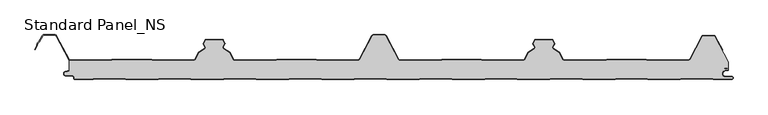
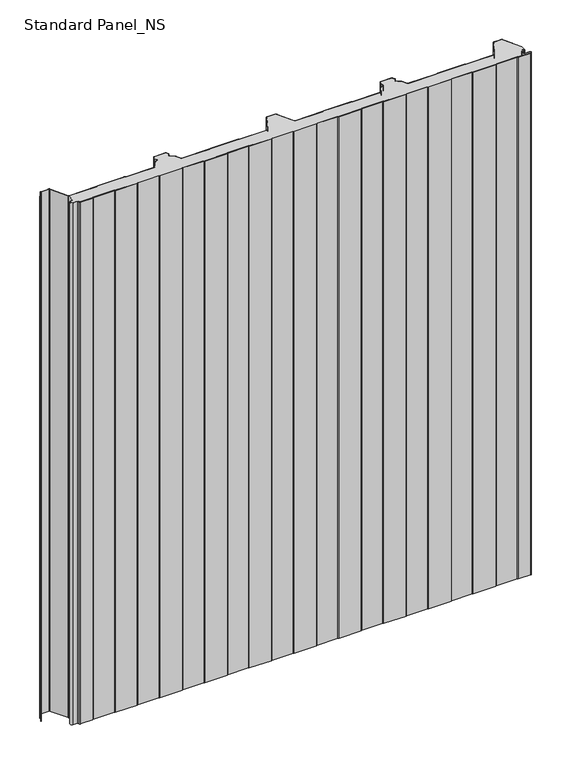
"""IFC4 building model written with IfcOpenShell, lengths in millimetres: proxy geometry, Standard Panel_NS."""

from ifc_helpers import new_model, si_unit, point, frame_2d, origin, origin_with_axes, place, context, project, spatial, polyline, circle_curve, trimmed, segment, composite_curve, outline, extrude, source, transform, mapped, element, save


def standard_panel_ns_30e33ac1(model_context):
    return source(origin(), model_context, "Body", "SweptSolid", [
        extrude(outline(composite_curve([segment(polyline([(-467.4564897, 29.2), (-406.1619183, 29.2), (-403.7802849, 30.1683897), (-343.9889442, 30.1683897), (-341.6073108, 29.2), (-279.468044, 29.2)]), True, "CONTINUOUS"), segment(trimmed(circle_curve(frame_2d((-279.4708299, 30.9999978)), 1.8), [point((-279.468044, 29.2))], [point((-277.8815327, 30.1549332))], True, "CARTESIAN"), True, "CONTINUOUS"), segment(polyline([(-277.8815327, 30.1549332), (-271.7571118, 41.6730163), (-262.7737199, 47.3606338)]), True, "CONTINUOUS"), segment(trimmed(circle_curve(frame_2d((-263.7365884, 48.8814507)), 1.8), [point((-262.7737199, 47.3606338))], [point((-262.1275659, 49.6883253))], True, "CARTESIAN"), True, "CONTINUOUS"), segment(polyline([(-262.1275659, 49.6883253), (-264.7246358, 54.8672514), (-261.74715, 60.4669529), (-236.2531818, 60.4669529), (-233.2700817, 54.8564238), (-235.8618916, 49.6882431)]), True, "CONTINUOUS"), segment(trimmed(circle_curve(frame_2d((-234.2528851, 48.8813366)), 1.8), [point((-235.8618916, 49.6882431))], [point((-235.2157839, 47.3605387))], True, "CARTESIAN"), True, "CONTINUOUS"), segment(polyline([(-235.2157839, 47.3605387), (-226.2491619, 41.6832892), (-220.1195157, 30.1548264)]), True, "CONTINUOUS"), segment(trimmed(circle_curve(frame_2d((-218.5304355, 30.9997352)), 1.7997352), [point((-220.1195157, 30.1548264))], [point((-218.5304355, 29.2))], True, "CARTESIAN"), True, "CONTINUOUS"), segment(polyline([(-218.5304355, 29.2), (-156.392871, 29.2), (-154.0112306, 30.1683897), (-94.2198897, 30.1683897), (-91.8382499, 29.2), (-30.5436784, 29.2)]), True, "CONTINUOUS"), segment(trimmed(circle_curve(frame_2d((-30.5436784, 31.75)), 2.55), [point((-30.5436784, 29.2))], [point((-28.292162, 30.5528475))], True, "CARTESIAN"), True, "CONTINUOUS"), segment(polyline([(-28.292162, 30.5528475), (-9.1889275, 66.4808064)]), True, "CONTINUOUS"), segment(trimmed(circle_curve(frame_2d((-7.3788849, 65.5183897)), 2.05), [point((-9.1889275, 66.4808064))], [point((-7.3788849, 67.5683897))], False, "CARTESIAN"), True, "CONTINUOUS"), segment(polyline([(-7.3788849, 67.5683897), (9.3787035, 67.5683897)]), True, "CONTINUOUS"), segment(trimmed(circle_curve(frame_2d((9.3787035, 65.5183897)), 2.05), [point((9.3787035, 67.5683897))], [point((11.188746, 66.4808064))], False, "CARTESIAN"), True, "CONTINUOUS"), segment(polyline([(11.188746, 66.4808064), (30.2919806, 30.5528475)]), True, "CONTINUOUS"), segment(trimmed(circle_curve(frame_2d((32.543497, 31.75)), 2.55), [point((30.2919806, 30.5528475))], [point((32.543497, 29.2))], True, "CARTESIAN"), True, "CONTINUOUS"), segment(polyline([(32.543497, 29.2), (94.3380684, 29.2), (96.7197082, 30.1683897), (156.5110491, 30.1683897), (158.8926889, 29.2), (220.3454724, 29.2)]), True, "CONTINUOUS"), segment(trimmed(circle_curve(frame_2d((220.5302541, 30.9904904)), 1.8), [point((220.3454724, 29.2))], [point((222.1195681, 30.1454573))], True, "CARTESIAN"), True, "CONTINUOUS"), segment(polyline([(222.1195681, 30.1454573), (228.2489804, 41.6734802), (237.2156025, 47.3507298)]), True, "CONTINUOUS"), segment(trimmed(circle_curve(frame_2d((236.2527038, 48.8715276)), 1.8), [point((237.2156025, 47.3507298))], [point((237.8617103, 49.6784342))], True, "CARTESIAN"), True, "CONTINUOUS"), segment(polyline([(237.8617103, 49.6784342), (235.2699012, 54.8466132), (238.2529825, 60.4573069), (263.7468294, 60.4573069), (266.7244548, 54.8574433), (264.1273846, 49.6785164)]), True, "CONTINUOUS"), segment(trimmed(circle_curve(frame_2d((265.7364071, 48.8716418)), 1.8), [point((264.1273846, 49.6785164))], [point((264.7735386, 47.3508249))], True, "CARTESIAN"), True, "CONTINUOUS"), segment(polyline([(264.7735386, 47.3508249), (273.7569305, 41.6632074), (279.8813514, 30.1451242)]), True, "CONTINUOUS"), segment(trimmed(circle_curve(frame_2d((281.4706486, 30.9901889)), 1.8), [point((279.8813514, 30.1451242))], [point((281.6583282, 29.2))], True, "CARTESIAN"), True, "CONTINUOUS"), segment(polyline([(281.6583282, 29.2), (343.5388467, 29.2), (346.5543556, 30.1683897), (406.3541332, 30.1683897), (409.30759, 29.2), (470.7064911, 29.2)]), True, "CONTINUOUS"), segment(trimmed(circle_curve(frame_2d((470.7064911, 31.7198823)), 2.5198823), [point((470.7064911, 29.2))], [point((472.9163892, 30.5090325))], True, "CARTESIAN"), True, "CONTINUOUS"), segment(polyline([(472.9163892, 30.5090325), (491.4348615, 65.4813607)]), True, "CONTINUOUS"), segment(trimmed(circle_curve(frame_2d((493.2446093, 64.5183897)), 2.05), [point((491.4348615, 65.4813607))], [point((493.2446093, 66.5683897))], False, "CARTESIAN"), True, "CONTINUOUS"), segment(polyline([(493.2446093, 66.5683897), (508.7552093, 66.5683897)]), True, "CONTINUOUS"), segment(trimmed(circle_curve(frame_2d((508.7552093, 64.5183897)), 2.05), [point((508.7552093, 66.5683897))], [point((510.5652518, 65.4808064))], False, "CARTESIAN"), True, "CONTINUOUS"), segment(polyline([(510.5652518, 65.4808064), (531.1556154, 26.7559646), (531.1556156, 15.3551162)]), True, "CONTINUOUS"), segment(trimmed(circle_curve(frame_2d((529.5058468, 15.3274964)), 1.65), [point((531.1556156, 15.3551162))], [point((529.7378129, 16.9611095))], True, "CARTESIAN"), True, "CONTINUOUS"), segment(polyline([(529.7378129, 16.9611095), (524.8136969, 17.660313), (524.7012285, 16.8682582), (529.6253445, 16.1690547)]), True, "CONTINUOUS"), segment(trimmed(circle_curve(frame_2d((529.5058468, 15.3274964)), 0.85), [point((529.6253445, 16.1690547))], [point((529.6534477, 14.4904098))], False, "CARTESIAN"), True, "CONTINUOUS"), segment(polyline([(529.6534477, 14.4904098), (525.3286815, 13.7278368)]), True, "CONTINUOUS"), segment(trimmed(circle_curve(frame_2d((526.1535103, 9.05)), 4.75), [point((525.3286815, 13.7278368))], [point((526.1535103, 4.3))], True, "CARTESIAN"), True, "CONTINUOUS"), segment(polyline([(526.1535103, 4.3), (535.6535103, 4.3)]), True, "CONTINUOUS"), segment(trimmed(circle_curve(frame_2d((535.6535103, 2.55)), 1.75), [point((535.6535103, 4.3))], [point((535.6535103, 0.8))], False, "CARTESIAN"), True, "CONTINUOUS"), segment(polyline([(535.6535103, 0.8), (508.0955244, 0.8), (506.3634736, 1.8), (459.8988565, 1.8), (458.1668057, 0.8), (409.0955244, 0.8), (407.3634736, 1.8), (360.8988565, 1.8), (359.1668057, 0.8), (310.0955244, 0.8), (308.3634736, 1.8), (261.8988565, 1.8), (260.1668057, 0.8), (211.097319, 0.8), (209.3228176, 1.8), (162.8988565, 1.8), (161.1668057, 0.8), (112.0955244, 0.8), (110.3634736, 1.8), (63.8988565, 1.8), (62.1668057, 0.8), (13.0955244, 0.8), (11.3634736, 1.8), (-35.1011435, 1.8), (-36.8331943, 0.8), (-85.902681, 0.8), (-87.6771824, 1.8), (-134.1011435, 1.8), (-135.8331943, 0.8), (-184.902681, 0.8), (-186.6771824, 1.8), (-233.1011435, 1.8), (-234.8331943, 0.8), (-283.9044756, 0.8), (-285.6365264, 1.8), (-332.1011435, 1.8), (-333.8331943, 0.786297), (-382.902681, 0.786297), (-384.6771824, 1.786297), (-431.1011435, 1.786297), (-432.8331943, 0.786297), (-459.8464897, 0.786297)]), True, "CONTINUOUS"), segment(trimmed(circle_curve(frame_2d((-459.8464897, 2.036297)), 1.25), [point((-459.8464897, 0.786297))], [point((-461.0964897, 2.036297))], False, "CARTESIAN"), True, "CONTINUOUS"), segment(polyline([(-461.0964897, 2.036297), (-461.0964897, 3.436297)]), True, "CONTINUOUS"), segment(trimmed(circle_curve(frame_2d((-463.8464897, 3.436297)), 2.75), [point((-461.0964897, 3.436297))], [point((-463.8464897, 6.186297))], True, "CARTESIAN"), True, "CONTINUOUS"), segment(polyline([(-463.8464897, 6.186297), (-473.6464897, 6.186297)]), True, "CONTINUOUS"), segment(trimmed(circle_curve(frame_2d((-473.6464897, 9.036297)), 2.85), [point((-473.6464897, 6.186297))], [point((-474.2876002, 11.8132517))], False, "CARTESIAN"), True, "CONTINUOUS"), segment(polyline([(-474.2876002, 11.8132517), (-468.8443846, 13.0699171), (-468.8443846, 29.6107833)]), True, "CONTINUOUS"), segment(trimmed(circle_curve(frame_2d((-467.4564897, 31.75)), 2.55), [point((-468.8443846, 29.6107833))], [point((-467.4564897, 29.2))], True, "CARTESIAN"), True, "CONTINUOUS")], self_intersect=False)), origin_with_axes(), (0.0, 0.0, 1.0), 1219.2),
        extrude(outline(composite_curve([segment(polyline([(535.6535103, 0.0), (507.881165, 0.0), (506.1491142, 1.0), (460.1132158, 1.0), (458.381165, 0.0), (408.881165, 0.0), (407.1491142, 1.0), (361.1132158, 1.0), (359.381165, 0.0), (309.881165, 0.0), (308.1491142, 1.0), (262.1132158, 1.0), (260.381165, 0.0), (210.8874211, 0.0), (209.1129196, 1.0), (163.1132158, 1.0), (161.381165, 0.0), (111.881165, 0.0), (110.1491142, 1.0), (64.1132158, 1.0), (62.381165, 0.0), (12.881165, 0.0), (11.1491142, 1.0), (-34.8867842, 1.0), (-36.618835, 0.0), (-86.1125789, 0.0), (-87.8870804, 1.0), (-133.8867842, 1.0), (-135.618835, 0.0), (-185.1125789, 0.0), (-186.8870804, 1.0), (-232.8867842, 1.0), (-234.618835, 0.0), (-284.118835, 0.0), (-285.8508858, 1.0), (-331.8867842, 1.0), (-333.618835, -0.013703), (-383.1125789, -0.013703), (-384.8870804, 0.986297), (-430.8867842, 0.986297), (-432.618835, -0.013703), (-459.8464897, -0.013703)]), True, "CONTINUOUS"), segment(trimmed(circle_curve(frame_2d((-459.8464897, 2.036297)), 2.05), [point((-459.8464897, -0.013703))], [point((-461.8964897, 2.036297))], False, "CARTESIAN"), True, "CONTINUOUS"), segment(polyline([(-461.8964897, 2.036297), (-461.8964897, 3.436297)]), True, "CONTINUOUS"), segment(trimmed(circle_curve(frame_2d((-463.8464897, 3.436297)), 1.95), [point((-461.8964897, 3.436297))], [point((-463.8464897, 5.386297))], True, "CARTESIAN"), True, "CONTINUOUS"), segment(polyline([(-463.8464897, 5.386297), (-473.6464897, 5.386297)]), True, "CONTINUOUS"), segment(trimmed(circle_curve(frame_2d((-473.6464897, 9.036297)), 3.65), [point((-473.6464897, 5.386297))], [point((-474.4675611, 12.5927478))], False, "CARTESIAN"), True, "CONTINUOUS"), segment(polyline([(-474.4675611, 12.5927478), (-469.0243454, 13.8494131), (-468.8443846, 13.0699171), (-474.2876002, 11.8132517)]), True, "CONTINUOUS"), segment(trimmed(circle_curve(frame_2d((-473.6464897, 9.036297)), 2.85), [point((-474.2876002, 11.8132517))], [point((-473.6464897, 6.186297))], True, "CARTESIAN"), True, "CONTINUOUS"), segment(polyline([(-473.6464897, 6.186297), (-463.8464897, 6.186297)]), True, "CONTINUOUS"), segment(trimmed(circle_curve(frame_2d((-463.8464897, 3.436297)), 2.75), [point((-463.8464897, 6.186297))], [point((-461.0964897, 3.436297))], False, "CARTESIAN"), True, "CONTINUOUS"), segment(polyline([(-461.0964897, 3.436297), (-461.0964897, 2.036297)]), True, "CONTINUOUS"), segment(trimmed(circle_curve(frame_2d((-459.8464897, 2.036297)), 1.25), [point((-461.0964897, 2.036297))], [point((-459.8464897, 0.786297))], True, "CARTESIAN"), True, "CONTINUOUS"), segment(polyline([(-459.8464897, 0.786297), (-432.8331943, 0.786297), (-431.1011435, 1.786297), (-384.6771824, 1.786297), (-382.902681, 0.786297), (-333.8331943, 0.786297), (-332.1011435, 1.8), (-285.6365264, 1.8), (-283.9044756, 0.8), (-234.8331943, 0.8), (-233.1011435, 1.8), (-186.6771824, 1.8), (-184.902681, 0.8), (-135.8331943, 0.8), (-134.1011435, 1.8), (-87.6771824, 1.8), (-85.902681, 0.8), (-36.8331943, 0.8), (-35.1011435, 1.8), (11.3634736, 1.8), (13.0955244, 0.8), (62.1668057, 0.8), (63.8988565, 1.8), (110.3634736, 1.8), (112.0955244, 0.8), (161.1668057, 0.8), (162.8988565, 1.8), (209.3228176, 1.8), (211.097319, 0.8), (260.1668057, 0.8), (261.8988565, 1.8), (308.3634736, 1.8), (310.0955244, 0.8), (359.1668057, 0.8), (360.8988565, 1.8), (407.3634736, 1.8), (409.0955244, 0.8), (458.1668057, 0.8), (459.8988565, 1.8), (506.3634736, 1.8), (508.0955244, 0.8), (535.6535103, 0.8)]), True, "CONTINUOUS"), segment(trimmed(circle_curve(frame_2d((535.6535103, 2.55)), 1.75), [point((535.6535103, 0.8))], [point((535.6535103, 4.3))], True, "CARTESIAN"), True, "CONTINUOUS"), segment(polyline([(535.6535103, 4.3), (526.1535103, 4.3)]), True, "CONTINUOUS"), segment(trimmed(circle_curve(frame_2d((526.1535103, 9.05)), 4.75), [point((526.1535103, 4.3))], [point((525.3286815, 13.7278368))], False, "CARTESIAN"), True, "CONTINUOUS"), segment(polyline([(525.3286815, 13.7278368), (529.6534477, 14.4904098)]), True, "CONTINUOUS"), segment(trimmed(circle_curve(frame_2d((529.5058468, 15.3274964)), 0.85), [point((529.6534477, 14.4904098))], [point((529.6253445, 16.1690547))], True, "CARTESIAN"), True, "CONTINUOUS"), segment(polyline([(529.6253445, 16.1690547), (524.7012285, 16.8682582), (524.8136969, 17.660313), (529.7378129, 16.9611095)]), True, "CONTINUOUS"), segment(trimmed(circle_curve(frame_2d((529.5058468, 15.3274964)), 1.65), [point((529.7378129, 16.9611095))], [point((529.7923663, 13.7025636))], False, "CARTESIAN"), True, "CONTINUOUS"), segment(polyline([(529.7923663, 13.7025636), (525.4676, 12.9399906)]), True, "CONTINUOUS"), segment(trimmed(circle_curve(frame_2d((526.1535103, 9.05)), 3.95), [point((525.4676, 12.9399906))], [point((526.1535103, 5.1))], True, "CARTESIAN"), True, "CONTINUOUS"), segment(polyline([(526.1535103, 5.1), (535.6535103, 5.1)]), True, "CONTINUOUS"), segment(trimmed(circle_curve(frame_2d((535.6535103, 2.55)), 2.55), [point((535.6535103, 5.1))], [point((535.6535103, 0.0))], False, "CARTESIAN"), True, "CONTINUOUS")], self_intersect=False)), origin_with_axes(), (0.0, 0.0, 1.0), 1219.2),
        extrude(outline(composite_curve([segment(polyline([(-467.4564897, 30.0), (-406.318343, 30.0), (-403.9367096, 30.9683897), (-343.8325195, 30.9683897), (-341.4508861, 30.0), (-279.4687534, 30.0)]), True, "CONTINUOUS"), segment(trimmed(circle_curve(frame_2d((-279.4708299, 30.9999978)), 1.0), [point((-279.4687534, 30.0))], [point((-278.587887, 30.5305175))], True, "CARTESIAN"), True, "CONTINUOUS"), segment(polyline([(-278.587887, 30.5305175), (-272.3640204, 42.2356263), (-263.2016615, 48.0365524)]), True, "CONTINUOUS"), segment(trimmed(circle_curve(frame_2d((-263.7365884, 48.8814507)), 1.0), [point((-263.2016615, 48.0365524))], [point((-262.842687, 49.3297144))], True, "CARTESIAN"), True, "CONTINUOUS"), segment(polyline([(-262.842687, 49.3297144), (-265.393451, 54.4163001)]), True, "CONTINUOUS"), segment(trimmed(circle_curve(frame_2d((-264.4995496, 54.8645637)), 1.0), [point((-265.393451, 54.4163001))], [point((-265.3824926, 55.3340441))], False, "CARTESIAN"), True, "CONTINUOUS"), segment(polyline([(-265.3824926, 55.3340441), (-262.6508365, 60.4714183)]), True, "CONTINUOUS"), segment(trimmed(circle_curve(frame_2d((-261.3264221, 59.7671978)), 1.5), [point((-262.6508365, 60.4714183))], [point((-261.2993182, 61.2669529))], False, "CARTESIAN"), True, "CONTINUOUS"), segment(polyline([(-261.2993182, 61.2669529), (-236.6737889, 61.2669529)]), True, "CONTINUOUS"), segment(trimmed(circle_curve(frame_2d((-236.6737889, 59.7669529)), 1.5), [point((-236.6737889, 61.2669529))], [point((-235.3493606, 60.4711471))], False, "CARTESIAN"), True, "CONTINUOUS"), segment(polyline([(-235.3493606, 60.4711471), (-232.6122157, 55.3232034)]), True, "CONTINUOUS"), segment(trimmed(circle_curve(frame_2d((-233.4951679, 54.8537406)), 1.0), [point((-232.6122157, 55.3232034))], [point((-232.6012754, 54.4054592))], False, "CARTESIAN"), True, "CONTINUOUS"), segment(polyline([(-232.6012754, 54.4054592), (-235.1467776, 49.329618)]), True, "CONTINUOUS"), segment(trimmed(circle_curve(frame_2d((-234.2528851, 48.8813366)), 1.0), [point((-235.1467776, 49.329618))], [point((-234.7878289, 48.0364489))], True, "CARTESIAN"), True, "CONTINUOUS"), segment(polyline([(-234.7878289, 48.0364489), (-225.6422421, 42.2458871), (-219.413154, 30.5303966)]), True, "CONTINUOUS"), segment(trimmed(circle_curve(frame_2d((-218.5304355, 30.9997352)), 0.9997353), [point((-219.413154, 30.5303966))], [point((-218.5304355, 29.9999999))], True, "CARTESIAN"), True, "CONTINUOUS"), segment(polyline([(-218.5304355, 29.9999999), (-156.5492953, 29.9999999), (-154.1676549, 30.9683897), (-94.0634654, 30.9683897), (-91.6818255, 30.0), (-30.5436784, 30.0)]), True, "CONTINUOUS"), segment(trimmed(circle_curve(frame_2d((-30.5436784, 31.75)), 1.75), [point((-30.5436784, 30.0))], [point((-28.9985201, 30.9284248))], True, "CARTESIAN"), True, "CONTINUOUS"), segment(polyline([(-28.9985201, 30.9284248), (-9.8952855, 66.8563836)]), True, "CONTINUOUS"), segment(trimmed(circle_curve(frame_2d((-7.3788849, 65.5183897)), 2.85), [point((-9.8952855, 66.8563836))], [point((-7.3788849, 68.3683897))], False, "CARTESIAN"), True, "CONTINUOUS"), segment(polyline([(-7.3788849, 68.3683897), (9.3787035, 68.3683897)]), True, "CONTINUOUS"), segment(trimmed(circle_curve(frame_2d((9.3787035, 65.5183897)), 2.85), [point((9.3787035, 68.3683897))], [point((11.8951041, 66.8563836))], False, "CARTESIAN"), True, "CONTINUOUS"), segment(polyline([(11.8951041, 66.8563836), (30.9983387, 30.9284248)]), True, "CONTINUOUS"), segment(trimmed(circle_curve(frame_2d((32.543497, 31.75)), 1.75), [point((30.9983387, 30.9284248))], [point((32.543497, 30.0))], True, "CARTESIAN"), True, "CONTINUOUS"), segment(polyline([(32.543497, 30.0), (93.6816441, 30.0), (96.0632839, 30.9683897), (156.1674734, 30.9683897), (158.5491133, 30.0), (220.3926719, 30.0)]), True, "CONTINUOUS"), segment(trimmed(circle_curve(frame_2d((220.5302541, 30.9904904)), 1.0), [point((220.3926719, 30.0))], [point((221.4132063, 30.5210275))], True, "CARTESIAN"), True, "CONTINUOUS"), segment(polyline([(221.4132063, 30.5210275), (227.6420606, 42.2360781), (236.7876475, 48.0266399)]), True, "CONTINUOUS"), segment(trimmed(circle_curve(frame_2d((236.2527038, 48.8715276)), 1.0), [point((236.7876475, 48.0266399))], [point((237.1465963, 49.319809))], True, "CARTESIAN"), True, "CONTINUOUS"), segment(polyline([(237.1465963, 49.319809), (234.6010941, 54.3956503)]), True, "CONTINUOUS"), segment(trimmed(circle_curve(frame_2d((235.4949866, 54.8439317)), 1.0), [point((234.6010941, 54.3956503))], [point((234.6120274, 55.3133815))], False, "CARTESIAN"), True, "CONTINUOUS"), segment(polyline([(234.6120274, 55.3133815), (237.3491357, 60.4614397)]), True, "CONTINUOUS"), segment(trimmed(circle_curve(frame_2d((238.673644, 59.7572281)), 1.5000788), [point((237.3491357, 60.4614397))], [point((238.673644, 61.2573069))], False, "CARTESIAN"), True, "CONTINUOUS"), segment(polyline([(238.673644, 61.2573069), (263.3262591, 61.2573069)]), True, "CONTINUOUS"), segment(trimmed(circle_curve(frame_2d((263.3262591, 59.7573465)), 1.4999604), [point((263.3262591, 61.2573069))], [point((264.6506332, 60.4615583))], False, "CARTESIAN"), True, "CONTINUOUS"), segment(polyline([(264.6506332, 60.4615583), (267.3823077, 55.3242418)]), True, "CONTINUOUS"), segment(trimmed(circle_curve(frame_2d((266.4993683, 54.8547548)), 1.0), [point((267.3823077, 55.3242418))], [point((267.3932697, 54.4064911))], False, "CARTESIAN"), True, "CONTINUOUS"), segment(polyline([(267.3932697, 54.4064911), (264.8425057, 49.3199055)]), True, "CONTINUOUS"), segment(trimmed(circle_curve(frame_2d((265.7364071, 48.8716418)), 1.0), [point((264.8425057, 49.3199055))], [point((265.2014801, 48.0267435))], True, "CARTESIAN"), True, "CONTINUOUS"), segment(polyline([(265.2014801, 48.0267435), (274.3638391, 42.2258174), (280.5877057, 30.5207085)]), True, "CONTINUOUS"), segment(trimmed(circle_curve(frame_2d((281.4706486, 30.9901889)), 1.0), [point((280.5877057, 30.5207085))], [point((281.6103837, 30.0))], True, "CARTESIAN"), True, "CONTINUOUS"), segment(polyline([(281.6103837, 30.0), (343.3151107, 30.0), (346.3306196, 30.9683897), (406.4819392, 30.9683897), (409.435396, 30.0), (470.7064911, 30.0)]), True, "CONTINUOUS"), segment(trimmed(circle_curve(frame_2d((470.7064911, 31.7198823)), 1.7198823), [point((470.7064911, 30.0))], [point((472.2123141, 30.8889236))], True, "CARTESIAN"), True, "CONTINUOUS"), segment(polyline([(472.2123141, 30.8889236), (490.7282086, 65.8563836)]), True, "CONTINUOUS"), segment(trimmed(circle_curve(frame_2d((493.2446093, 64.5183897)), 2.85), [point((490.7282086, 65.8563836))], [point((493.2446093, 67.3683897))], False, "CARTESIAN"), True, "CONTINUOUS"), segment(polyline([(493.2446093, 67.3683897), (508.7552093, 67.3683897)]), True, "CONTINUOUS"), segment(trimmed(circle_curve(frame_2d((508.7552093, 64.5183897)), 2.85), [point((508.7552093, 67.3683897))], [point((511.2716099, 65.8563836))], False, "CARTESIAN"), True, "CONTINUOUS"), segment(polyline([(511.2716099, 65.8563836), (522.2394046, 45.2289619), (521.5330465, 44.8533847), (510.5652518, 65.4808064)]), True, "CONTINUOUS"), segment(trimmed(circle_curve(frame_2d((508.7552093, 64.5183897)), 2.05), [point((510.5652518, 65.4808064))], [point((508.7552093, 66.5683897))], True, "CARTESIAN"), True, "CONTINUOUS"), segment(polyline([(508.7552093, 66.5683897), (493.2446093, 66.5683897)]), True, "CONTINUOUS"), segment(trimmed(circle_curve(frame_2d((493.2446093, 64.5183897)), 2.05), [point((493.2446093, 66.5683897))], [point((491.4348615, 65.4813607))], True, "CARTESIAN"), True, "CONTINUOUS"), segment(polyline([(491.4348615, 65.4813607), (472.9163892, 30.5090325)]), True, "CONTINUOUS"), segment(trimmed(circle_curve(frame_2d((470.7064911, 31.7198823)), 2.5198823), [point((472.9163892, 30.5090325))], [point((470.7064911, 29.2))], False, "CARTESIAN"), True, "CONTINUOUS"), segment(polyline([(470.7064911, 29.2), (409.30759, 29.2), (406.3541332, 30.1683897), (346.4559229, 30.1683897), (343.440414, 29.2), (281.6583282, 29.2)]), True, "CONTINUOUS"), segment(trimmed(circle_curve(frame_2d((281.4706486, 30.9901889)), 1.8), [point((281.6583282, 29.2))], [point((279.8813514, 30.1451242))], False, "CARTESIAN"), True, "CONTINUOUS"), segment(polyline([(279.8813514, 30.1451242), (273.7569305, 41.6632074), (264.7735386, 47.3508249)]), True, "CONTINUOUS"), segment(trimmed(circle_curve(frame_2d((265.7364071, 48.8716418)), 1.8), [point((264.7735386, 47.3508249))], [point((264.1273846, 49.6785164))], False, "CARTESIAN"), True, "CONTINUOUS"), segment(polyline([(264.1273846, 49.6785164), (266.7244548, 54.8574433), (263.7468294, 60.4573069), (238.2529825, 60.4573069), (235.2699012, 54.8466132), (237.8617103, 49.6784342)]), True, "CONTINUOUS"), segment(trimmed(circle_curve(frame_2d((236.2527038, 48.8715276)), 1.8), [point((237.8617103, 49.6784342))], [point((237.2156025, 47.3507298))], False, "CARTESIAN"), True, "CONTINUOUS"), segment(polyline([(237.2156025, 47.3507298), (228.2489804, 41.6734802), (222.1195681, 30.1454573)]), True, "CONTINUOUS"), segment(trimmed(circle_curve(frame_2d((220.5302541, 30.9904904)), 1.8), [point((222.1195681, 30.1454573))], [point((220.3454724, 29.2))], False, "CARTESIAN"), True, "CONTINUOUS"), segment(polyline([(220.3454724, 29.2), (158.3926889, 29.2), (156.0110491, 30.1683897), (96.2197082, 30.1683897), (93.8380684, 29.2), (32.543497, 29.2)]), True, "CONTINUOUS"), segment(trimmed(circle_curve(frame_2d((32.543497, 31.75)), 2.55), [point((32.543497, 29.2))], [point((30.2919806, 30.5528475))], False, "CARTESIAN"), True, "CONTINUOUS"), segment(polyline([(30.2919806, 30.5528475), (11.188746, 66.4808064)]), True, "CONTINUOUS"), segment(trimmed(circle_curve(frame_2d((9.3787035, 65.5183897)), 2.05), [point((11.188746, 66.4808064))], [point((9.3787035, 67.5683897))], True, "CARTESIAN"), True, "CONTINUOUS"), segment(polyline([(9.3787035, 67.5683897), (-7.3788849, 67.5683897)]), True, "CONTINUOUS"), segment(trimmed(circle_curve(frame_2d((-7.3788849, 65.5183897)), 2.05), [point((-7.3788849, 67.5683897))], [point((-9.1889275, 66.4808064))], True, "CARTESIAN"), True, "CONTINUOUS"), segment(polyline([(-9.1889275, 66.4808064), (-28.292162, 30.5528475)]), True, "CONTINUOUS"), segment(trimmed(circle_curve(frame_2d((-30.5436784, 31.75)), 2.55), [point((-28.292162, 30.5528475))], [point((-30.5436784, 29.2))], False, "CARTESIAN"), True, "CONTINUOUS"), segment(polyline([(-30.5436784, 29.2), (-91.8382499, 29.2), (-94.2198897, 30.1683897), (-154.0112306, 30.1683897), (-156.392871, 29.2), (-218.5304355, 29.2)]), True, "CONTINUOUS"), segment(trimmed(circle_curve(frame_2d((-218.5304355, 30.9997352)), 1.7997352), [point((-218.5304355, 29.2))], [point((-220.1195157, 30.1548264))], False, "CARTESIAN"), True, "CONTINUOUS"), segment(polyline([(-220.1195157, 30.1548264), (-226.2491619, 41.6832892), (-235.2157839, 47.3605387)]), True, "CONTINUOUS"), segment(trimmed(circle_curve(frame_2d((-234.2528851, 48.8813366)), 1.8), [point((-235.2157839, 47.3605387))], [point((-235.8618916, 49.6882431))], False, "CARTESIAN"), True, "CONTINUOUS"), segment(polyline([(-235.8618916, 49.6882431), (-233.2700817, 54.8564238), (-236.2531818, 60.4669529), (-261.74715, 60.4669529), (-264.7246358, 54.8672514), (-262.1275659, 49.6883253)]), True, "CONTINUOUS"), segment(trimmed(circle_curve(frame_2d((-263.7365884, 48.8814507)), 1.8), [point((-262.1275659, 49.6883253))], [point((-262.7737199, 47.3606338))], False, "CARTESIAN"), True, "CONTINUOUS"), segment(polyline([(-262.7737199, 47.3606338), (-271.7571118, 41.6730163), (-277.8815327, 30.1549332)]), True, "CONTINUOUS"), segment(trimmed(circle_curve(frame_2d((-279.4708299, 30.9999978)), 1.8), [point((-277.8815327, 30.1549332))], [point((-279.468044, 29.2))], False, "CARTESIAN"), True, "CONTINUOUS"), segment(polyline([(-279.468044, 29.2), (-341.6073108, 29.2), (-343.9889442, 30.1683897), (-403.7802849, 30.1683897), (-406.1619183, 29.2), (-467.4564897, 29.2)]), True, "CONTINUOUS"), segment(trimmed(circle_curve(frame_2d((-467.4564897, 31.75)), 2.55), [point((-467.4564897, 29.2))], [point((-469.7080061, 30.5528475))], False, "CARTESIAN"), True, "CONTINUOUS"), segment(polyline([(-469.7080061, 30.5528475), (-488.8112406, 66.4808064)]), True, "CONTINUOUS"), segment(trimmed(circle_curve(frame_2d((-490.6212832, 65.5183897)), 2.05), [point((-488.8112406, 66.4808064))], [point((-490.6212832, 67.5683897))], True, "CARTESIAN"), True, "CONTINUOUS"), segment(polyline([(-490.6212832, 67.5683897), (-507.3620907, 67.5683897)]), True, "CONTINUOUS"), segment(trimmed(circle_curve(frame_2d((-507.3620907, 65.5183897)), 2.05), [point((-507.3620907, 67.5683897))], [point((-509.1721333, 66.4808064))], True, "CARTESIAN"), True, "CONTINUOUS"), segment(polyline([(-509.1721333, 66.4808064), (-514.1174305, 57.1800551), (-516.4385398, 54.9723908), (-517.0120726, 51.7360251), (-520.1399217, 45.8533964), (-520.8462798, 46.2289737), (-517.7777505, 52.000038), (-517.1803883, 55.3708693), (-514.7628407, 57.6702585), (-509.8784914, 66.8563836)]), True, "CONTINUOUS"), segment(trimmed(circle_curve(frame_2d((-507.3620907, 65.5183897)), 2.85), [point((-509.8784914, 66.8563836))], [point((-507.3620907, 68.3683897))], False, "CARTESIAN"), True, "CONTINUOUS"), segment(polyline([(-507.3620907, 68.3683897), (-490.6212832, 68.3683897)]), True, "CONTINUOUS"), segment(trimmed(circle_curve(frame_2d((-490.6212832, 65.5183897)), 2.85), [point((-490.6212832, 68.3683897))], [point((-488.1048826, 66.8563836))], False, "CARTESIAN"), True, "CONTINUOUS"), segment(polyline([(-488.1048826, 66.8563836), (-469.001648, 30.9284248)]), True, "CONTINUOUS"), segment(trimmed(circle_curve(frame_2d((-467.4564897, 31.75)), 1.75), [point((-469.001648, 30.9284248))], [point((-467.4564897, 30.0))], True, "CARTESIAN"), True, "CONTINUOUS")], self_intersect=False)), origin_with_axes(), (0.0, 0.0, 1.0), 1219.2),
    ])


if __name__ == "__main__":
    model = new_model("IFC4")
    model_context = context("Model", 3, world=origin())
    ifc_project = project(units=[si_unit("LENGTHUNIT", "METRE", prefix="MILLI")], contexts=[model_context])
    site = spatial("IfcSite", under=ifc_project)
    building = spatial("IfcBuilding", under=site)
    placement = place(None, origin())
    standard_panel_ns_shape = standard_panel_ns_30e33ac1(model_context)
    element("IfcBuildingElementProxy", 1, Name="Standard Panel_NS", ObjectType="Standard Panel_NS", at=placement, inside=building, context=model_context, shape_type="MappedRepresentation", body=[
        mapped(standard_panel_ns_shape, transform((0.0, 0.0, 0.0), x_axis=(1.0, 0.0, 0.0), y_axis=(0.0, 1.0, 0.0), z_axis=(0.0, 0.0, 1.0))),
    ])
    save(model, "model.ifc")
